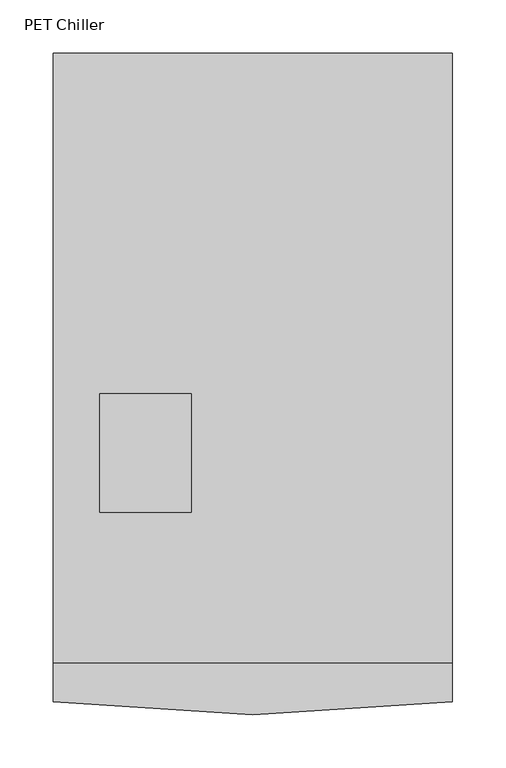
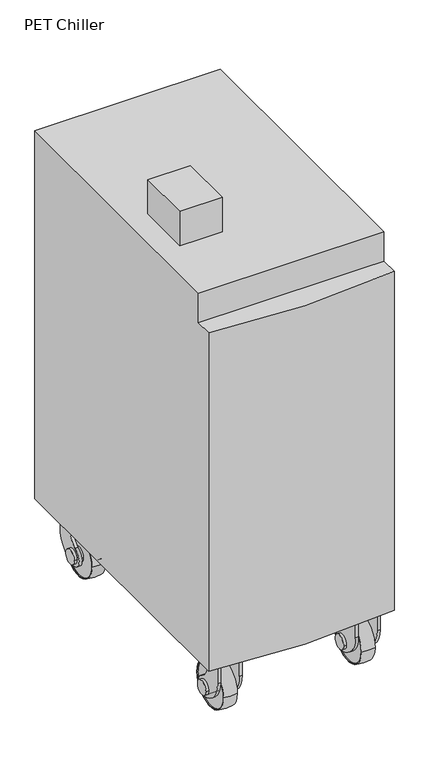
"""IFC4 building model written with IfcOpenShell, lengths in millimetres: proxy geometry, PET Chiller."""

from ifc_helpers import new_model, si_unit, point, frame, frame_2d, origin, place, context, project, spatial, polyline, circle_curve, ellipse_curve, trimmed, segment, composite_curve, outline, extrude, source, transform, mapped, element, save
from ifc_brep_helpers import plane_surface, cylinder_surface, revolved_surface, advanced_brep


def pet_chiller_664306ec(model_context):
    return source(origin(), model_context, "Body", "SolidModel", [
        advanced_brep(
        [(773.4227913, -593.4106157, 48.0465135), (773.4227913, -499.7985376, 48.0465135), (801.4227913, -499.7985376, 48.0465135), (801.4227913, -593.4106157, 48.0465135), (801.4227913, -591.6045767, 48.0465135), (801.4227913, -501.6045767, 48.0465135), (773.4227913, -501.6045767, 48.0465135), (773.4227913, -591.6045767, 48.0465135)],
        [
            (0, 1, circle_curve(frame((773.4227913, -546.6045767, 48.0465135), z_axis=(1.0, 0.0, 0.0), x_axis=(0.0, 1.0000000000000002, 0.0)), 46.8060391)),
            (1, 2, circle_curve(frame((787.4227913, -578.1803296, 48.0465135), z_axis=(0.0, 0.0, -1.0), x_axis=(0.0, -1.0000000000000002, 0.0)), 79.6222664)),
            (2, 3, circle_curve(frame((801.4227913, -546.6045767, 48.0465135), z_axis=(-1.0, 0.0, 0.0), x_axis=(0.0, 1.0000000000000002, 0.0)), 46.8060391)),
            (3, 0, circle_curve(frame((787.4227913, -515.0288238, 48.0465135), z_axis=(0.0, 0.0, -1.0), x_axis=(0.0, 1.0000000000000002, 0.0)), 79.6222664)),
            (4, 5, circle_curve(frame((801.4227913, -546.6045767, 48.0465135), z_axis=(1.0, 0.0, 0.0), x_axis=(0.0, 1.0000000000000002, 0.0)), 45.0)),
            (5, 6),
            (6, 7, circle_curve(frame((773.4227913, -546.6045767, 48.0465135), z_axis=(-1.0, 0.0, 0.0), x_axis=(0.0, 1.0000000000000002, 0.0)), 45.0)),
            (7, 4),
            (2, 3, circle_curve(frame((801.4227913, -546.6045767, 48.0465135), z_axis=(1.0, 0.0, 0.0), x_axis=(0.0, -1.0000000000000002, 0.0)), 46.8060391)),
            (4, 5, circle_curve(frame((801.4227913, -546.6045767, 48.0465135), z_axis=(-1.0, 0.0, 0.0), x_axis=(0.0, -1.0000000000000002, 0.0)), 45.0)),
            (1, 0, circle_curve(frame((773.4227913, -546.6045767, 48.0465135), z_axis=(1.0, 0.0, 0.0), x_axis=(0.0, -1.0000000000000002, 0.0)), 46.8060391)),
            (6, 7, circle_curve(frame((773.4227913, -546.6045767, 48.0465135), z_axis=(1.0, 0.0, 0.0), x_axis=(0.0, -1.0000000000000002, 0.0)), 45.0)),
        ],
        [
            revolved_surface(trimmed(ellipse_curve(frame((787.4227913, -578.1803296, 48.0465135), z_axis=(0.0, 0.0, 1.0), x_axis=(0.0, -1.0000000000000002, 0.0)), 79.6222664, 79.6222664), [point((801.4227913, -499.7985376, 48.0465135))], [point((773.4227913, -499.7985376, 48.0465135))], True, "CARTESIAN"), (780.9, -546.6045767, 48.0465135), (-1.0000000000000002, 0.0, 0.0)),
            revolved_surface(polyline([(773.4227913, -501.60457670000005, 48.0465135), (801.4227913, -501.60457670000005, 48.0465135)]), (780.9, -546.6045767, 48.0465135), (-1.0000000000000002, 0.0, 0.0)),
            plane_surface(frame((801.4227913, -546.6045767, 48.0465135), z_axis=(1.0, 0.0, 0.0), x_axis=(0.0, -1.0, 0.0))),
            revolved_surface(trimmed(ellipse_curve(frame((787.4227913, -515.0288238, 48.0465135), z_axis=(0.0, 0.0, -1.0), x_axis=(0.0, 1.0000000000000002, 0.0)), 79.6222664, 79.6222664), [point((801.4227913, -593.4106157, 48.0465135))], [point((773.4227913, -593.4106157, 48.0465135))], True, "CARTESIAN"), (780.9, -546.6045767, 48.0465135), (-1.0000000000000002, 0.0, 0.0)),
            plane_surface(frame((773.4227913, -546.6045767, 48.0465135), z_axis=(-1.0, 0.0, 0.0), x_axis=(0.0, -1.0, 0.0))),
            revolved_surface(polyline([(773.4227913, -591.6045767, 48.0465135), (801.4227913, -591.6045767, 48.0465135)]), (780.9, -546.6045767, 48.0465135), (-1.0000000000000002, 0.0, 0.0)),
        ],
        [
            (0, [[1, 2, 3, 4]]),
            (1, [[5, 6, 7, 8]]),
            (2, [[9, -3], [10, -5]]),
            (3, [[11, -4, -9, -2]]),
            (4, [[-11, -1], [12, -7]]),
            (5, [[-10, -8, -12, -6]]),
        ],
    ),
        extrude(outline(composite_curve([segment(trimmed(circle_curve(frame_2d((-546.6045767, 48.0465135)), 21.0), [point((-537.4157407, 29.163577))], [point((-552.7179054, 68.1369892))], False, "CARTESIAN"), True, "CONTINUOUS"), segment(trimmed(circle_curve(frame_2d((-573.7648391, 99.3530944)), 37.6486207), [point((-552.7179054, 68.1369892))], [point((-536.1162184, 99.3530944))], True, "CARTESIAN"), True, "CONTINUOUS"), segment(polyline([(-536.1162184, 99.3530944), (-536.1162184, 125.0465135), (-501.1162184, 125.0465135), (-501.1162184, 81.8753807)]), True, "CONTINUOUS"), segment(trimmed(circle_curve(frame_2d((-556.1162184, 81.8753807)), 55.0), [point((-501.1162184, 81.8753807))], [point((-528.6162184, 34.2439835))], False, "CARTESIAN"), True, "CONTINUOUS"), segment(polyline([(-528.6162184, 34.2439835), (-537.4157407, 29.163577)]), True, "CONTINUOUS")], self_intersect=False)), frame((806.4, 0.0, 0.0), z_axis=(1.0, 0.0, 0.0), x_axis=(0.0, 1.0, 0.0)), (0.0, 0.0, 1.0), 6.0),
        extrude(outline(polyline([(768.4, -501.1162184), (806.4, -501.1162184), (806.4, -536.1162184), (768.4, -536.1162184), (768.4, -501.1162184)])), frame((0.0, 0.0, 119.0465135), z_axis=(0.0, 0.0, 1.0), x_axis=(1.0, 0.0, 0.0)), (0.0, 0.0, 1.0), 6.0),
        extrude(outline(composite_curve([segment(trimmed(circle_curve(frame_2d((-546.6045767, 48.0465135)), 21.0), [point((-537.4157407, 29.163577))], [point((-552.7179054, 68.1369892))], False, "CARTESIAN"), True, "CONTINUOUS"), segment(trimmed(circle_curve(frame_2d((-573.7648391, 99.3530944)), 37.6486207), [point((-552.7179054, 68.1369892))], [point((-536.1162184, 99.3530944))], True, "CARTESIAN"), True, "CONTINUOUS"), segment(polyline([(-536.1162184, 99.3530944), (-536.1162184, 125.0465135), (-501.1162184, 125.0465135), (-501.1162184, 81.8753807)]), True, "CONTINUOUS"), segment(trimmed(circle_curve(frame_2d((-556.1162184, 81.8753807)), 55.0), [point((-501.1162184, 81.8753807))], [point((-528.6162184, 34.2439835))], False, "CARTESIAN"), True, "CONTINUOUS"), segment(polyline([(-528.6162184, 34.2439835), (-537.4157407, 29.163577)]), True, "CONTINUOUS")], self_intersect=False)), frame((762.4, 0.0, 0.0), z_axis=(1.0, 0.0, 0.0), x_axis=(0.0, 1.0, 0.0)), (0.0, 0.0, 1.0), 6.0),
        extrude(outline(composite_curve([segment(trimmed(circle_curve(frame_2d((-546.6045767, 48.0465135)), 15.0), [point((-531.6045767, 48.0465135))], [point((-561.6045767, 48.0465135))], False, "CARTESIAN"), True, "CONTINUOUS"), segment(trimmed(circle_curve(frame_2d((-546.6045767, 48.0465135)), 15.0), [point((-561.6045767, 48.0465135))], [point((-531.6045767, 48.0465135))], False, "CARTESIAN"), True, "CONTINUOUS")], self_intersect=False)), frame((756.4, 0.0, 0.0), z_axis=(1.0, 0.0, 0.0), x_axis=(0.0, 1.0, 0.0)), (0.0, 0.0, 1.0), 62.0),
        extrude(outline(composite_curve([segment(trimmed(circle_curve(frame_2d((-546.6045767, 48.0465135)), 45.0), [point((-501.6045767, 48.0465135))], [point((-591.6045767, 48.0465135))], False, "CARTESIAN"), True, "CONTINUOUS"), segment(trimmed(circle_curve(frame_2d((-546.6045767, 48.0465135)), 45.0), [point((-591.6045767, 48.0465135))], [point((-501.6045767, 48.0465135))], False, "CARTESIAN"), True, "CONTINUOUS")], self_intersect=False)), frame((774.9, 0.0, 0.0), z_axis=(1.0, 0.0, 0.0), x_axis=(0.0, 1.0, 0.0)), (0.0, 0.0, 1.0), 25.0),
        advanced_brep(
        [(521.9772087, -593.4106157, 48.0465135), (493.9772087, -593.4106157, 48.0465135), (493.9772087, -499.7985376, 48.0465135), (521.9772087, -499.7985376, 48.0465135), (493.9772087, -591.6045767, 48.0465135), (521.9772087, -591.6045767, 48.0465135), (521.9772087, -501.6045767, 48.0465135), (493.9772087, -501.6045767, 48.0465135)],
        [
            (0, 1, circle_curve(frame((507.9772087, -515.0288238, 48.0465135), z_axis=(0.0, 0.0, -1.0), x_axis=(0.0, 1.0000000000000002, 0.0)), 79.6222664)),
            (1, 2, circle_curve(frame((493.9772087, -546.6045767, 48.0465135), z_axis=(1.0, 0.0, 0.0), x_axis=(0.0, 1.0000000000000002, 0.0)), 46.8060391)),
            (2, 3, circle_curve(frame((507.9772087, -578.1803296, 48.0465135), z_axis=(0.0, 0.0, -1.0), x_axis=(0.0, -1.0000000000000002, 0.0)), 79.6222664)),
            (3, 0, circle_curve(frame((521.9772087, -546.6045767, 48.0465135), z_axis=(-1.0, 0.0, 0.0), x_axis=(0.0, 1.0000000000000002, 0.0)), 46.8060391)),
            (4, 5),
            (5, 6, circle_curve(frame((521.9772087, -546.6045767, 48.0465135), z_axis=(1.0, 0.0, 0.0), x_axis=(0.0, 1.0000000000000002, 0.0)), 45.0)),
            (6, 7),
            (7, 4, circle_curve(frame((493.9772087, -546.6045767, 48.0465135), z_axis=(-1.0, 0.0, 0.0), x_axis=(0.0, 1.0000000000000002, 0.0)), 45.0)),
            (1, 2, circle_curve(frame((493.9772087, -546.6045767, 48.0465135), z_axis=(-1.0, 0.0, 0.0), x_axis=(0.0, -1.0000000000000002, 0.0)), 46.8060391)),
            (7, 4, circle_curve(frame((493.9772087, -546.6045767, 48.0465135), z_axis=(1.0, 0.0, 0.0), x_axis=(0.0, -1.0000000000000002, 0.0)), 45.0)),
            (0, 3, circle_curve(frame((521.9772087, -546.6045767, 48.0465135), z_axis=(-1.0, 0.0, 0.0), x_axis=(0.0, -1.0000000000000002, 0.0)), 46.8060391)),
            (5, 6, circle_curve(frame((521.9772087, -546.6045767, 48.0465135), z_axis=(-1.0, 0.0, 0.0), x_axis=(0.0, -1.0000000000000002, 0.0)), 45.0)),
        ],
        [
            revolved_surface(trimmed(ellipse_curve(frame((507.9772087, -578.1803296, 48.0465135), z_axis=(0.0, 0.0, -1.0), x_axis=(0.0, -1.0000000000000002, 0.0)), 79.6222664, 79.6222664), [point((493.9772087, -499.7985376, 48.0465135))], [point((521.9772087, -499.7985376, 48.0465135))], True, "CARTESIAN"), (514.5, -546.6045767, 48.0465135), (1.0000000000000002, 0.0, 0.0)),
            revolved_surface(polyline([(521.9772087, -501.60457670000005, 48.0465135), (493.9772087, -501.60457670000005, 48.0465135)]), (514.5, -546.6045767, 48.0465135), (1.0000000000000002, 0.0, 0.0)),
            plane_surface(frame((493.9772087, -546.6045767, 48.0465135), z_axis=(-1.0, 0.0, 0.0), x_axis=(0.0, -1.0, 0.0))),
            revolved_surface(trimmed(ellipse_curve(frame((507.9772087, -515.0288238, 48.0465135), z_axis=(0.0, 0.0, 1.0), x_axis=(0.0, 1.0000000000000002, 0.0)), 79.6222664, 79.6222664), [point((493.9772087, -593.4106157, 48.0465135))], [point((521.9772087, -593.4106157, 48.0465135))], True, "CARTESIAN"), (514.5, -546.6045767, 48.0465135), (1.0000000000000002, 0.0, 0.0)),
            plane_surface(frame((521.9772087, -546.6045767, 48.0465135), z_axis=(1.0, 0.0, 0.0), x_axis=(0.0, -1.0, 0.0))),
            revolved_surface(polyline([(521.9772087, -591.6045767, 48.0465135), (493.9772087, -591.6045767, 48.0465135)]), (514.5, -546.6045767, 48.0465135), (1.0000000000000002, 0.0, 0.0)),
        ],
        [
            (0, [[1, 2, 3, 4]]),
            (1, [[5, 6, 7, 8]]),
            (2, [[-2, 9], [-8, 10]]),
            (3, [[-3, -9, -1, 11]]),
            (4, [[-4, -11], [-6, 12]]),
            (5, [[-7, -12, -5, -10]]),
        ],
    ),
        extrude(outline(composite_curve([segment(trimmed(circle_curve(frame_2d((-546.6045767, 48.0465135)), 21.0), [point((-537.4157407, 29.163577))], [point((-552.7179054, 68.1369892))], False, "CARTESIAN"), True, "CONTINUOUS"), segment(trimmed(circle_curve(frame_2d((-573.7648391, 99.3530944)), 37.6486207), [point((-552.7179054, 68.1369892))], [point((-536.1162184, 99.3530944))], True, "CARTESIAN"), True, "CONTINUOUS"), segment(polyline([(-536.1162184, 99.3530944), (-536.1162184, 125.0465135), (-501.1162184, 125.0465135), (-501.1162184, 81.8753807)]), True, "CONTINUOUS"), segment(trimmed(circle_curve(frame_2d((-556.1162184, 81.8753807)), 55.0), [point((-501.1162184, 81.8753807))], [point((-528.6162184, 34.2439835))], False, "CARTESIAN"), True, "CONTINUOUS"), segment(polyline([(-528.6162184, 34.2439835), (-537.4157407, 29.163577)]), True, "CONTINUOUS")], self_intersect=False)), frame((483.0, 0.0, 0.0), z_axis=(1.0, 0.0, 0.0), x_axis=(0.0, 1.0, 0.0)), (0.0, 0.0, 1.0), 6.0),
        extrude(outline(polyline([(527.0, -501.1162184), (527.0, -536.1162184), (489.0, -536.1162184), (489.0, -501.1162184), (527.0, -501.1162184)])), frame((0.0, 0.0, 119.0465135), z_axis=(0.0, 0.0, 1.0), x_axis=(1.0, 0.0, 0.0)), (0.0, 0.0, 1.0), 6.0),
        extrude(outline(composite_curve([segment(trimmed(circle_curve(frame_2d((-546.6045767, 48.0465135)), 21.0), [point((-537.4157407, 29.163577))], [point((-552.7179054, 68.1369892))], False, "CARTESIAN"), True, "CONTINUOUS"), segment(trimmed(circle_curve(frame_2d((-573.7648391, 99.3530944)), 37.6486207), [point((-552.7179054, 68.1369892))], [point((-536.1162184, 99.3530944))], True, "CARTESIAN"), True, "CONTINUOUS"), segment(polyline([(-536.1162184, 99.3530944), (-536.1162184, 125.0465135), (-501.1162184, 125.0465135), (-501.1162184, 81.8753807)]), True, "CONTINUOUS"), segment(trimmed(circle_curve(frame_2d((-556.1162184, 81.8753807)), 55.0), [point((-501.1162184, 81.8753807))], [point((-528.6162184, 34.2439835))], False, "CARTESIAN"), True, "CONTINUOUS"), segment(polyline([(-528.6162184, 34.2439835), (-537.4157407, 29.163577)]), True, "CONTINUOUS")], self_intersect=False)), frame((527.0, 0.0, 0.0), z_axis=(1.0, 0.0, 0.0), x_axis=(0.0, 1.0, 0.0)), (0.0, 0.0, 1.0), 6.0),
        extrude(outline(composite_curve([segment(trimmed(circle_curve(frame_2d((-546.6045767, 48.0465135)), 15.0), [point((-531.6045767, 48.0465135))], [point((-561.6045767, 48.0465135))], False, "CARTESIAN"), True, "CONTINUOUS"), segment(trimmed(circle_curve(frame_2d((-546.6045767, 48.0465135)), 15.0), [point((-561.6045767, 48.0465135))], [point((-531.6045767, 48.0465135))], False, "CARTESIAN"), True, "CONTINUOUS")], self_intersect=False)), frame((477.0, 0.0, 0.0), z_axis=(1.0, 0.0, 0.0), x_axis=(0.0, 1.0, 0.0)), (0.0, 0.0, 1.0), 62.0),
        extrude(outline(composite_curve([segment(trimmed(circle_curve(frame_2d((-546.6045767, 48.0465135)), 45.0), [point((-501.6045767, 48.0465135))], [point((-591.6045767, 48.0465135))], False, "CARTESIAN"), True, "CONTINUOUS"), segment(trimmed(circle_curve(frame_2d((-546.6045767, 48.0465135)), 45.0), [point((-591.6045767, 48.0465135))], [point((-501.6045767, 48.0465135))], False, "CARTESIAN"), True, "CONTINUOUS")], self_intersect=False)), frame((495.5, 0.0, 0.0), z_axis=(1.0, 0.0, 0.0), x_axis=(0.0, 1.0, 0.0)), (0.0, 0.0, 1.0), 25.0),
        advanced_brep(
        [(773.4227913, -962.3393843, 48.0465135), (801.4227913, -962.3393843, 48.0465135), (801.4227913, -1055.9514624, 48.0465135), (773.4227913, -1055.9514624, 48.0465135), (801.4227913, -964.1454233, 48.0465135), (773.4227913, -964.1454233, 48.0465135), (773.4227913, -1054.1454233, 48.0465135), (801.4227913, -1054.1454233, 48.0465135)],
        [
            (0, 1, circle_curve(frame((787.4227913, -1040.7211762, 48.0465135), z_axis=(0.0, 0.0, -1.0), x_axis=(0.0, -1.0000000000000002, 0.0)), 79.6222664)),
            (1, 2, circle_curve(frame((801.4227913, -1009.1454233, 48.0465135), z_axis=(-1.0, 0.0, 0.0), x_axis=(0.0, -1.0000000000000002, 0.0)), 46.8060391)),
            (2, 3, circle_curve(frame((787.4227913, -977.5696704, 48.0465135), z_axis=(0.0, 0.0, -1.0), x_axis=(0.0, 1.0000000000000002, 0.0)), 79.6222664)),
            (3, 0, circle_curve(frame((773.4227913, -1009.1454233, 48.0465135), z_axis=(1.0, 0.0, 0.0), x_axis=(0.0, -1.0000000000000002, 0.0)), 46.8060391)),
            (4, 5),
            (5, 6, circle_curve(frame((773.4227913, -1009.1454233, 48.0465135), z_axis=(-1.0, 0.0, 0.0), x_axis=(0.0, -1.0000000000000002, 0.0)), 45.0)),
            (6, 7),
            (7, 4, circle_curve(frame((801.4227913, -1009.1454233, 48.0465135), z_axis=(1.0, 0.0, 0.0), x_axis=(0.0, -1.0000000000000002, 0.0)), 45.0)),
            (1, 2, circle_curve(frame((801.4227913, -1009.1454233, 48.0465135), z_axis=(1.0, 0.0, 0.0), x_axis=(0.0, 1.0000000000000002, 0.0)), 46.8060391)),
            (7, 4, circle_curve(frame((801.4227913, -1009.1454233, 48.0465135), z_axis=(-1.0, 0.0, 0.0), x_axis=(0.0, 1.0000000000000002, 0.0)), 45.0)),
            (0, 3, circle_curve(frame((773.4227913, -1009.1454233, 48.0465135), z_axis=(1.0, 0.0, 0.0), x_axis=(0.0, 1.0000000000000002, 0.0)), 46.8060391)),
            (5, 6, circle_curve(frame((773.4227913, -1009.1454233, 48.0465135), z_axis=(1.0, 0.0, 0.0), x_axis=(0.0, 1.0000000000000002, 0.0)), 45.0)),
        ],
        [
            revolved_surface(trimmed(ellipse_curve(frame((787.4227913, -977.5696704, 48.0465135), z_axis=(0.0, 0.0, -1.0), x_axis=(0.0, 1.0000000000000002, 0.0)), 79.6222664, 79.6222664), [point((801.4227913, -1055.9514624, 48.0465135))], [point((773.4227913, -1055.9514624, 48.0465135))], True, "CARTESIAN"), (780.9, -1009.1454233, 48.0465135), (-1.0000000000000002, 0.0, 0.0)),
            revolved_surface(polyline([(773.4227913, -1054.1454233, 48.0465135), (801.4227913, -1054.1454233, 48.0465135)]), (780.9, -1009.1454233, 48.0465135), (-1.0000000000000002, 0.0, 0.0)),
            plane_surface(frame((801.4227913, -1009.1454233, 48.0465135), z_axis=(1.0, 0.0, 0.0), x_axis=(0.0, 1.0, 0.0))),
            revolved_surface(trimmed(ellipse_curve(frame((787.4227913, -1040.7211762, 48.0465135), z_axis=(0.0, 0.0, 1.0), x_axis=(0.0, -1.0000000000000002, 0.0)), 79.6222664, 79.6222664), [point((801.4227913, -962.3393843, 48.0465135))], [point((773.4227913, -962.3393843, 48.0465135))], True, "CARTESIAN"), (780.9, -1009.1454233, 48.0465135), (-1.0000000000000002, 0.0, 0.0)),
            plane_surface(frame((773.4227913, -1009.1454233, 48.0465135), z_axis=(-1.0, 0.0, 0.0), x_axis=(0.0, 1.0, 0.0))),
            revolved_surface(polyline([(773.4227913, -964.1454233, 48.0465135), (801.4227913, -964.1454233, 48.0465135)]), (780.9, -1009.1454233, 48.0465135), (-1.0000000000000002, 0.0, 0.0)),
        ],
        [
            (0, [[1, 2, 3, 4]]),
            (1, [[5, 6, 7, 8]]),
            (2, [[-2, 9], [-8, 10]]),
            (3, [[-3, -9, -1, 11]]),
            (4, [[-4, -11], [-6, 12]]),
            (5, [[-7, -12, -5, -10]]),
        ],
    ),
        extrude(outline(composite_curve([segment(polyline([(-1018.3342593, 29.163577), (-1027.1337816, 34.2439835)]), True, "CONTINUOUS"), segment(trimmed(circle_curve(frame_2d((-999.6337816, 81.8753807)), 55.0), [point((-1027.1337816, 34.2439835))], [point((-1054.6337816, 81.8753807))], False, "CARTESIAN"), True, "CONTINUOUS"), segment(polyline([(-1054.6337816, 81.8753807), (-1054.6337816, 125.0465135), (-1019.6337816, 125.0465135), (-1019.6337816, 99.3530944)]), True, "CONTINUOUS"), segment(trimmed(circle_curve(frame_2d((-981.9851609, 99.3530944)), 37.6486207), [point((-1019.6337816, 99.3530944))], [point((-1003.0320946, 68.1369892))], True, "CARTESIAN"), True, "CONTINUOUS"), segment(trimmed(circle_curve(frame_2d((-1009.1454233, 48.0465135)), 21.0), [point((-1003.0320946, 68.1369892))], [point((-1018.3342593, 29.163577))], False, "CARTESIAN"), True, "CONTINUOUS")], self_intersect=False)), frame((806.4, 0.0, 0.0), z_axis=(1.0, 0.0, 0.0), x_axis=(0.0, 1.0, 0.0)), (0.0, 0.0, 1.0), 6.0),
        extrude(outline(polyline([(768.4, -1054.6337816), (768.4, -1019.6337816), (806.4, -1019.6337816), (806.4, -1054.6337816), (768.4, -1054.6337816)])), frame((0.0, 0.0, 119.0465135), z_axis=(0.0, 0.0, 1.0), x_axis=(1.0, 0.0, 0.0)), (0.0, 0.0, 1.0), 6.0),
        extrude(outline(composite_curve([segment(polyline([(-1018.3342593, 29.163577), (-1027.1337816, 34.2439835)]), True, "CONTINUOUS"), segment(trimmed(circle_curve(frame_2d((-999.6337816, 81.8753807)), 55.0), [point((-1027.1337816, 34.2439835))], [point((-1054.6337816, 81.8753807))], False, "CARTESIAN"), True, "CONTINUOUS"), segment(polyline([(-1054.6337816, 81.8753807), (-1054.6337816, 125.0465135), (-1019.6337816, 125.0465135), (-1019.6337816, 99.3530944)]), True, "CONTINUOUS"), segment(trimmed(circle_curve(frame_2d((-981.9851609, 99.3530944)), 37.6486207), [point((-1019.6337816, 99.3530944))], [point((-1003.0320946, 68.1369892))], True, "CARTESIAN"), True, "CONTINUOUS"), segment(trimmed(circle_curve(frame_2d((-1009.1454233, 48.0465135)), 21.0), [point((-1003.0320946, 68.1369892))], [point((-1018.3342593, 29.163577))], False, "CARTESIAN"), True, "CONTINUOUS")], self_intersect=False)), frame((762.4, 0.0, 0.0), z_axis=(1.0, 0.0, 0.0), x_axis=(0.0, 1.0, 0.0)), (0.0, 0.0, 1.0), 6.0),
        extrude(outline(composite_curve([segment(trimmed(circle_curve(frame_2d((-1009.1454233, 48.0465135)), 15.0), [point((-1024.1454233, 48.0465135))], [point((-994.1454233, 48.0465135))], False, "CARTESIAN"), True, "CONTINUOUS"), segment(trimmed(circle_curve(frame_2d((-1009.1454233, 48.0465135)), 15.0), [point((-994.1454233, 48.0465135))], [point((-1024.1454233, 48.0465135))], False, "CARTESIAN"), True, "CONTINUOUS")], self_intersect=False)), frame((756.4, 0.0, 0.0), z_axis=(1.0, 0.0, 0.0), x_axis=(0.0, 1.0, 0.0)), (0.0, 0.0, 1.0), 62.0),
        extrude(outline(composite_curve([segment(trimmed(circle_curve(frame_2d((-1009.1454233, 48.0465135)), 45.0), [point((-1054.1454233, 48.0465135))], [point((-964.1454233, 48.0465135))], False, "CARTESIAN"), True, "CONTINUOUS"), segment(trimmed(circle_curve(frame_2d((-1009.1454233, 48.0465135)), 45.0), [point((-964.1454233, 48.0465135))], [point((-1054.1454233, 48.0465135))], False, "CARTESIAN"), True, "CONTINUOUS")], self_intersect=False)), frame((774.9, 0.0, 0.0), z_axis=(1.0, 0.0, 0.0), x_axis=(0.0, 1.0, 0.0)), (0.0, 0.0, 1.0), 25.0),
        advanced_brep(
        [(521.9772087, -962.3393843, 48.0465135), (521.9772087, -1055.9514624, 48.0465135), (493.9772087, -1055.9514624, 48.0465135), (493.9772087, -962.3393843, 48.0465135), (493.9772087, -964.1454233, 48.0465135), (493.9772087, -1054.1454233, 48.0465135), (521.9772087, -1054.1454233, 48.0465135), (521.9772087, -964.1454233, 48.0465135)],
        [
            (0, 1, circle_curve(frame((521.9772087, -1009.1454233, 48.0465135), z_axis=(-1.0, 0.0, 0.0), x_axis=(0.0, -1.0000000000000002, 0.0)), 46.8060391)),
            (1, 2, circle_curve(frame((507.9772087, -977.5696704, 48.0465135), z_axis=(0.0, 0.0, -1.0), x_axis=(0.0, 1.0000000000000002, 0.0)), 79.6222664)),
            (2, 3, circle_curve(frame((493.9772087, -1009.1454233, 48.0465135), z_axis=(1.0, 0.0, 0.0), x_axis=(0.0, -1.0000000000000002, 0.0)), 46.8060391)),
            (3, 0, circle_curve(frame((507.9772087, -1040.7211762, 48.0465135), z_axis=(0.0, 0.0, -1.0), x_axis=(0.0, -1.0000000000000002, 0.0)), 79.6222664)),
            (4, 5, circle_curve(frame((493.9772087, -1009.1454233, 48.0465135), z_axis=(-1.0, 0.0, 0.0), x_axis=(0.0, -1.0000000000000002, 0.0)), 45.0)),
            (5, 6),
            (6, 7, circle_curve(frame((521.9772087, -1009.1454233, 48.0465135), z_axis=(1.0, 0.0, 0.0), x_axis=(0.0, -1.0000000000000002, 0.0)), 45.0)),
            (7, 4),
            (2, 3, circle_curve(frame((493.9772087, -1009.1454233, 48.0465135), z_axis=(-1.0, 0.0, 0.0), x_axis=(0.0, 1.0000000000000002, 0.0)), 46.8060391)),
            (4, 5, circle_curve(frame((493.9772087, -1009.1454233, 48.0465135), z_axis=(1.0, 0.0, 0.0), x_axis=(0.0, 1.0000000000000002, 0.0)), 45.0)),
            (1, 0, circle_curve(frame((521.9772087, -1009.1454233, 48.0465135), z_axis=(-1.0, 0.0, 0.0), x_axis=(0.0, 1.0000000000000002, 0.0)), 46.8060391)),
            (6, 7, circle_curve(frame((521.9772087, -1009.1454233, 48.0465135), z_axis=(-1.0, 0.0, 0.0), x_axis=(0.0, 1.0000000000000002, 0.0)), 45.0)),
        ],
        [
            revolved_surface(trimmed(ellipse_curve(frame((507.9772087, -977.5696704, 48.0465135), z_axis=(0.0, 0.0, 1.0), x_axis=(0.0, 1.0000000000000002, 0.0)), 79.6222664, 79.6222664), [point((493.9772087, -1055.9514624, 48.0465135))], [point((521.9772087, -1055.9514624, 48.0465135))], True, "CARTESIAN"), (514.5, -1009.1454233, 48.0465135), (1.0000000000000002, 0.0, 0.0)),
            revolved_surface(polyline([(521.9772087, -1054.1454233, 48.0465135), (493.9772087, -1054.1454233, 48.0465135)]), (514.5, -1009.1454233, 48.0465135), (1.0000000000000002, 0.0, 0.0)),
            plane_surface(frame((493.9772087, -1009.1454233, 48.0465135), z_axis=(-1.0, 0.0, 0.0), x_axis=(0.0, 1.0, 0.0))),
            revolved_surface(trimmed(ellipse_curve(frame((507.9772087, -1040.7211762, 48.0465135), z_axis=(0.0, 0.0, -1.0), x_axis=(0.0, -1.0000000000000002, 0.0)), 79.6222664, 79.6222664), [point((493.9772087, -962.3393843, 48.0465135))], [point((521.9772087, -962.3393843, 48.0465135))], True, "CARTESIAN"), (514.5, -1009.1454233, 48.0465135), (1.0000000000000002, 0.0, 0.0)),
            plane_surface(frame((521.9772087, -1009.1454233, 48.0465135), z_axis=(1.0, 0.0, 0.0), x_axis=(0.0, 1.0, 0.0))),
            revolved_surface(polyline([(521.9772087, -964.1454233, 48.0465135), (493.9772087, -964.1454233, 48.0465135)]), (514.5, -1009.1454233, 48.0465135), (1.0000000000000002, 0.0, 0.0)),
        ],
        [
            (0, [[1, 2, 3, 4]]),
            (1, [[5, 6, 7, 8]]),
            (2, [[9, -3], [10, -5]]),
            (3, [[11, -4, -9, -2]]),
            (4, [[-11, -1], [12, -7]]),
            (5, [[-10, -8, -12, -6]]),
        ],
    ),
        extrude(outline(composite_curve([segment(polyline([(-1018.3342593, 29.163577), (-1027.1337816, 34.2439835)]), True, "CONTINUOUS"), segment(trimmed(circle_curve(frame_2d((-999.6337816, 81.8753807)), 55.0), [point((-1027.1337816, 34.2439835))], [point((-1054.6337816, 81.8753807))], False, "CARTESIAN"), True, "CONTINUOUS"), segment(polyline([(-1054.6337816, 81.8753807), (-1054.6337816, 125.0465135), (-1019.6337816, 125.0465135), (-1019.6337816, 99.3530944)]), True, "CONTINUOUS"), segment(trimmed(circle_curve(frame_2d((-981.9851609, 99.3530944)), 37.6486207), [point((-1019.6337816, 99.3530944))], [point((-1003.0320946, 68.1369892))], True, "CARTESIAN"), True, "CONTINUOUS"), segment(trimmed(circle_curve(frame_2d((-1009.1454233, 48.0465135)), 21.0), [point((-1003.0320946, 68.1369892))], [point((-1018.3342593, 29.163577))], False, "CARTESIAN"), True, "CONTINUOUS")], self_intersect=False)), frame((483.0, 0.0, 0.0), z_axis=(1.0, 0.0, 0.0), x_axis=(0.0, 1.0, 0.0)), (0.0, 0.0, 1.0), 6.0),
        extrude(outline(polyline([(527.0, -1054.6337816), (489.0, -1054.6337816), (489.0, -1019.6337816), (527.0, -1019.6337816), (527.0, -1054.6337816)])), frame((0.0, 0.0, 119.0465135), z_axis=(0.0, 0.0, 1.0), x_axis=(1.0, 0.0, 0.0)), (0.0, 0.0, 1.0), 6.0),
        extrude(outline(composite_curve([segment(polyline([(-1018.3342593, 29.163577), (-1027.1337816, 34.2439835)]), True, "CONTINUOUS"), segment(trimmed(circle_curve(frame_2d((-999.6337816, 81.8753807)), 55.0), [point((-1027.1337816, 34.2439835))], [point((-1054.6337816, 81.8753807))], False, "CARTESIAN"), True, "CONTINUOUS"), segment(polyline([(-1054.6337816, 81.8753807), (-1054.6337816, 125.0465135), (-1019.6337816, 125.0465135), (-1019.6337816, 99.3530944)]), True, "CONTINUOUS"), segment(trimmed(circle_curve(frame_2d((-981.9851609, 99.3530944)), 37.6486207), [point((-1019.6337816, 99.3530944))], [point((-1003.0320946, 68.1369892))], True, "CARTESIAN"), True, "CONTINUOUS"), segment(trimmed(circle_curve(frame_2d((-1009.1454233, 48.0465135)), 21.0), [point((-1003.0320946, 68.1369892))], [point((-1018.3342593, 29.163577))], False, "CARTESIAN"), True, "CONTINUOUS")], self_intersect=False)), frame((527.0, 0.0, 0.0), z_axis=(1.0, 0.0, 0.0), x_axis=(0.0, 1.0, 0.0)), (0.0, 0.0, 1.0), 6.0),
        extrude(outline(composite_curve([segment(trimmed(circle_curve(frame_2d((-1009.1454233, 48.0465135)), 15.0), [point((-1024.1454233, 48.0465135))], [point((-994.1454233, 48.0465135))], False, "CARTESIAN"), True, "CONTINUOUS"), segment(trimmed(circle_curve(frame_2d((-1009.1454233, 48.0465135)), 15.0), [point((-994.1454233, 48.0465135))], [point((-1024.1454233, 48.0465135))], False, "CARTESIAN"), True, "CONTINUOUS")], self_intersect=False)), frame((477.0, 0.0, 0.0), z_axis=(1.0, 0.0, 0.0), x_axis=(0.0, 1.0, 0.0)), (0.0, 0.0, 1.0), 62.0),
        extrude(outline(composite_curve([segment(trimmed(circle_curve(frame_2d((-1009.1454233, 48.0465135)), 45.0), [point((-1054.1454233, 48.0465135))], [point((-964.1454233, 48.0465135))], False, "CARTESIAN"), True, "CONTINUOUS"), segment(trimmed(circle_curve(frame_2d((-1009.1454233, 48.0465135)), 45.0), [point((-964.1454233, 48.0465135))], [point((-1054.1454233, 48.0465135))], False, "CARTESIAN"), True, "CONTINUOUS")], self_intersect=False)), frame((495.5, 0.0, 0.0), z_axis=(1.0, 0.0, 0.0), x_axis=(0.0, 1.0, 0.0)), (0.0, 0.0, 1.0), 25.0),
        extrude(outline(polyline([(501.2715838, -889.4282975), (501.2715838, -778.0274702), (587.2864219, -778.0274702), (587.2864219, -889.4282975), (501.2715838, -889.4282975)])), frame((0.0, 0.0, 851.1162417), z_axis=(0.0, 0.0, 1.0), x_axis=(1.0, 0.0, 0.0)), (0.0, 0.0, 1.0), 136.9437583),
        advanced_brep(
        [(457.1990856, -1031.4270567, 914.1484459), (833.1983336, -1031.4270567, 914.1484459), (833.1983336, -457.1990856, 914.1484459), (457.1990856, -457.1990856, 914.1484459), (833.1983336, -1031.4270567, 851.1162417), (833.1983336, -1067.7984565, 851.1162417), (833.1983336, -1067.7984565, 125.0465135), (833.1983336, -457.1990856, 125.0465135), (457.1990856, -457.1990856, 125.0465135), (457.1990856, -1067.7984565, 125.0465135), (457.1990856, -1067.7984565, 851.1162417), (457.1990856, -1031.4270567, 851.1162417)],
        [
            (0, 1),
            (1, 2),
            (2, 3),
            (3, 0),
            (1, 4),
            (4, 5),
            (5, 6),
            (6, 7),
            (7, 2),
            (7, 8),
            (8, 3),
            (8, 9),
            (9, 10),
            (10, 11),
            (11, 0),
            (11, 4),
            (10, 5, circle_curve(frame((645.1987096, 351.2283444, 851.1162417), z_axis=(0.0, 0.0, 1.0), x_axis=(1.0, 0.0, 0.0)), 1431.426184)),
            (6, 9, circle_curve(frame((645.1987096, 351.2283444, 125.0465135), z_axis=(0.0, 0.0, -1.0), x_axis=(1.0, 0.0, 0.0)), 1431.426184)),
        ],
        [
            plane_surface(frame((164.6132158, -1031.4270567, 914.1484459), z_axis=(0.0, 0.0, 1.0), x_axis=(1.0, 0.0, 0.0))),
            plane_surface(frame((833.1983336, -1031.4270567, 914.1484459), z_axis=(1.0, 0.0, 0.0), x_axis=(0.0, 0.0, -1.0))),
            plane_surface(frame((833.1983336, -457.1990856, 914.1484459), z_axis=(0.0, 1.0, 0.0), x_axis=(0.0, 0.0, -1.0))),
            plane_surface(frame((457.1990856, -457.1990856, 914.1484459), z_axis=(-1.0, 0.0, 0.0), x_axis=(0.0, 0.0, -1.0))),
            plane_surface(frame((457.1990856, -1031.4270567, 914.1484459), z_axis=(0.0, -1.0, 0.0), x_axis=(0.0, 0.0, -1.0))),
            plane_surface(frame((2076.6248936, 351.2283444, 851.1162417), z_axis=(0.0, 0.0, 1.0), x_axis=(0.0, 1.0, 0.0))),
            plane_surface(frame((2076.6248936, 351.2283444, 125.0465135), z_axis=(0.0, 0.0, -1.0), x_axis=(0.0, -1.0, 0.0))),
            cylinder_surface(frame((645.1987096, 351.2283444, 125.0465135), z_axis=(0.0, 0.0, 1.0), x_axis=(1.0, 0.0, 0.0)), 1431.426184),
        ],
        [
            (0, [[1, 2, 3, 4]]),
            (1, [[-2, 5, 6, 7, 8, 9]]),
            (2, [[-3, -9, 10, 11]]),
            (3, [[-4, -11, 12, 13, 14, 15]]),
            (4, [[-1, -15, 16, -5]]),
            (5, [[17, -6, -16, -14]]),
            (6, [[-12, -10, -8, 18]]),
            (7, [[-17, -13, -18, -7]]),
        ],
    ),
    ])


if __name__ == "__main__":
    model = new_model("IFC4")
    model_context = context("Model", 3, world=origin())
    ifc_project = project(units=[si_unit("LENGTHUNIT", "METRE", prefix="MILLI")], contexts=[model_context])
    site = spatial("IfcSite", under=ifc_project)
    building = spatial("IfcBuilding", under=site)
    placement = place(None, origin())
    pet_chiller_shape = pet_chiller_664306ec(model_context)
    element("IfcBuildingElementProxy", 1, Name="PET Chiller", ObjectType="PET Chiller", at=placement, inside=building, context=model_context, shape_type="MappedRepresentation", body=[
        mapped(pet_chiller_shape, transform((0.0, 0.0, 0.0), x_axis=(1.0, 0.0, 0.0), y_axis=(0.0, 1.0, 0.0), z_axis=(0.0, 0.0, 1.0))),
    ])
    save(model, "model.ifc")
